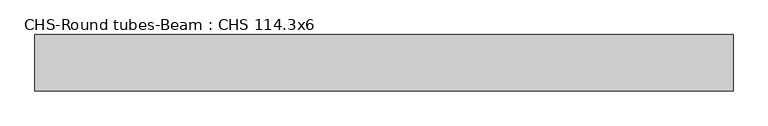
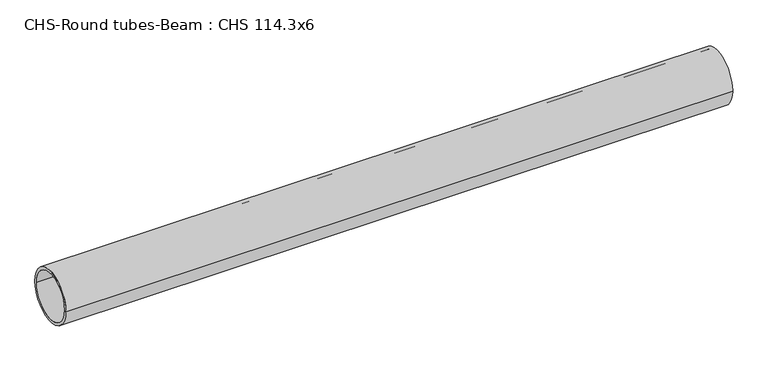
"""IFC4 building model written with IfcOpenShell, lengths in millimetres: beam geometry, CHS-Round tubes-Beam : CHS 114.3x6."""

from ifc_helpers import new_model, si_unit, point, frame, origin, origin_2d, place, context, project, spatial, circle_curve, trimmed, segment, composite_curve, outline, extrude, source, transform, mapped, element, save


def chs_round_tubes_beam_chs_114_3x6_425c68a0(model_context):
    return source(origin(), model_context, "Body", "SweptSolid", [
        extrude(outline(composite_curve([segment(trimmed(circle_curve(origin_2d(), 57.15), [point((57.15, 0.0))], [point((-57.15, 0.0))], False, "CARTESIAN"), True, "CONTINUOUS"), segment(trimmed(circle_curve(origin_2d(), 57.15), [point((-57.15, 0.0))], [point((57.15, 0.0))], False, "CARTESIAN"), True, "CONTINUOUS")], self_intersect=False), holes=[composite_curve([segment(trimmed(circle_curve(origin_2d(), 51.15), [point((51.15, 0.0))], [point((-51.15, 0.0))], True, "CARTESIAN"), True, "CONTINUOUS"), segment(trimmed(circle_curve(origin_2d(), 51.15), [point((-51.15, 0.0))], [point((51.15, 0.0))], True, "CARTESIAN"), True, "CONTINUOUS")], self_intersect=False)]), frame((-703.1016983, 0.0, 0.0), z_axis=(1.0, 0.0, 0.0), x_axis=(0.0, 1.0, 0.0)), (0.0, 0.0, 1.0), 1420.1743355),
    ])


if __name__ == "__main__":
    model = new_model("IFC4")
    model_context = context("Model", 3, world=origin())
    ifc_project = project(units=[si_unit("LENGTHUNIT", "METRE", prefix="MILLI")], contexts=[model_context])
    site = spatial("IfcSite", under=ifc_project)
    building = spatial("IfcBuilding", under=site)
    placement = place(None, origin())
    chs_round_tubes_beam_chs_114_3x6_shape = chs_round_tubes_beam_chs_114_3x6_425c68a0(model_context)
    element("IfcBeam", 1, ObjectType="CHS-Round tubes-Beam : CHS 114.3x6", at=placement, inside=building, context=model_context, shape_type="MappedRepresentation", body=[
        mapped(chs_round_tubes_beam_chs_114_3x6_shape, transform((0.0, 0.0, 0.0), x_axis=(1.0, 0.0, 0.0), y_axis=(0.0, 1.0, 0.0), z_axis=(0.0, 0.0, 1.0))),
    ])
    save(model, "model.ifc")
